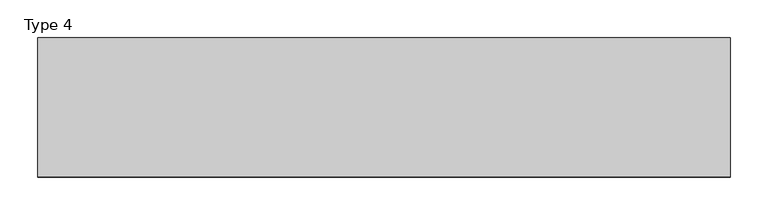
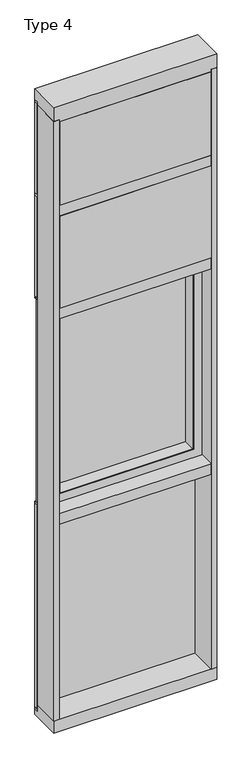
"""IFC4 building model written with IfcOpenShell, lengths in millimetres: plate geometry, Type 4."""

from ifc_helpers import new_model, si_unit, frame, origin, place, context, project, spatial, polyline, outline, extrude, faceted_brep, source, transform, mapped, element, save


def type_4_9e8764e1(model_context):
    return source(origin(), model_context, "Body", "SolidModel", [
        faceted_brep([(-409.575, -66.0939347, 2390.775), (-409.575, -12.4174268, 2390.775), (409.575, -12.4174268, 2390.775), (409.575, -66.0939347, 2390.775), (-407.6336465, -12.4174268, 2388.8336465), (-407.6336465, -7.9279804, 2388.8336465), (407.6336465, -7.9279804, 2388.8336465), (407.6336465, -12.4174268, 2388.8336465), (373.85625, -63.4904804, 2355.05625), (373.85625, -68.2529804, 2355.05625), (373.85625, -68.2529804, 1302.54375), (373.85625, -63.4904804, 1302.54375), (-425.45, 26.9875, 2406.65), (-425.45, -68.2529804, 2406.65), (425.45, -68.2529804, 2406.65), (425.45, 26.9875, 2406.65), (-377.03125, -68.2529804, 2358.23125), (-377.03125, -66.0939347, 2358.23125), (377.03125, -66.0939347, 2358.23125), (377.03125, -68.2529804, 2358.23125), (-373.85625, -68.2529804, 1302.54375), (-373.85625, -68.2529804, 2355.05625), (-371.475, -68.2529804, 2352.675), (371.475, -68.2529804, 2352.675), (371.475, -68.2529804, 1304.925), (-371.475, -68.2529804, 1304.925), (400.06905, 1.5875, 1276.33095), (400.06905, 26.9875, 1276.33095), (-400.06905, 26.9875, 1276.33095), (-400.06905, 1.5875, 1276.33095), (409.575, -12.4174268, 1266.825), (409.575, -66.0939347, 1266.825), (-407.6336465, -12.4174268, 1268.7663535), (-407.6336465, -7.9279804, 1268.7663535), (-377.03125, -68.2529804, 1299.36875), (-377.03125, -66.0939347, 1299.36875), (-400.06905, 26.9875, 2381.26905), (-400.06905, 1.5875, 2381.26905), (-371.475, 1.5875, 1304.925), (-371.475, 1.5875, 2352.675), (-373.85625, -63.4904804, 1302.54375), (-373.85625, -63.4904804, 2355.05625), (-425.45, 26.9875, 1250.95), (-425.45, -68.2529804, 1250.95), (-392.1125, -7.9279804, 1284.2875), (-392.1125, -63.4904804, 1284.2875), (-392.1125, -63.4904804, 2373.3125), (-392.1125, -7.9279804, 2373.3125), (-409.575, -66.0939347, 1266.825), (-409.575, -12.4174268, 1266.825), (400.06905, 26.9875, 2381.26905), (400.06905, 1.5875, 2381.26905), (371.475, 1.5875, 2352.675), (392.1125, -63.4904804, 2373.3125), (392.1125, -7.9279804, 2373.3125), (371.475, 1.5875, 1304.925), (392.1125, -63.4904804, 1284.2875), (392.1125, -7.9279804, 1284.2875), (407.6336465, -7.9279804, 1268.7663535), (407.6336465, -12.4174268, 1268.7663535), (377.03125, -66.0939347, 1299.36875), (377.03125, -68.2529804, 1299.36875), (425.45, -68.2529804, 1250.95), (425.45, 26.9875, 1250.95)], [[[0, 1, 2, 3]], [[4, 5, 6, 7]], [[8, 9, 10, 11]], [[12, 13, 14, 15]], [[16, 17, 18, 19]], [[20, 10, 9, 21], [22, 23, 24, 25]], [[26, 27, 28, 29]], [[3, 2, 30, 31]], [[32, 33, 5, 4]], [[34, 35, 17, 16]], [[29, 28, 36, 37]], [[25, 38, 39, 22]], [[40, 20, 21, 41]], [[42, 43, 13, 12]], [[44, 45, 46, 47]], [[48, 49, 1, 0]], [[37, 36, 50, 51]], [[22, 39, 52, 23]], [[41, 21, 9, 8]], [[47, 46, 53, 54]], [[51, 50, 27, 26]], [[23, 52, 55, 24]], [[54, 53, 56, 57]], [[7, 6, 58, 59]], [[19, 18, 60, 61]], [[15, 14, 62, 63]], [[12, 15, 63, 42], [28, 27, 50, 36]], [[37, 51, 26, 29], [38, 55, 52, 39]], [[24, 55, 38, 25]], [[11, 10, 20, 40]], [[45, 56, 53, 46], [41, 8, 11, 40]], [[57, 56, 45, 44]], [[33, 58, 6, 5], [47, 54, 57, 44]], [[59, 58, 33, 32]], [[49, 30, 2, 1], [4, 7, 59, 32]], [[31, 30, 49, 48]], [[0, 3, 31, 48], [35, 60, 18, 17]], [[61, 60, 35, 34]], [[43, 62, 14, 13], [16, 19, 61, 34]], [[63, 62, 43, 42]]]),
        extrude(outline(polyline([(400.06905, 26.9875), (400.06905, 1.5875), (-400.06905, 1.5875), (-400.06905, 26.9875), (400.06905, 26.9875)])), frame((0.0, 0.0, 1276.33095), z_axis=(0.0, 0.0, 1.0), x_axis=(1.0, 0.0, 0.0)), (0.0, 0.0, 1.0), 1104.9381),
        extrude(outline(polyline([(425.4510892, -48.6409999), (425.4510892, -156.32684), (-425.45, -156.32684), (-425.45, -48.6409999), (425.4510892, -48.6409999)])), frame((0.0, 0.0, 2470.15), z_axis=(0.0, 0.0, 1.0), x_axis=(1.0, 0.0, 0.0)), (0.0, 0.0, 1.0), 546.1993556),
        extrude(outline(polyline([(457.2, 27.686), (457.2, 6.35), (-457.2, 6.35), (-457.2, 27.686), (457.2, 27.686)])), frame((0.0, 0.0, 3041.65), z_axis=(0.0, 0.0, 1.0), x_axis=(1.0, 0.0, 0.0)), (0.0, 0.0, 1.0), 12.7),
        extrude(outline(polyline([(457.2, 27.6881517), (457.2, 11.2982336), (444.5010892, 11.2982336), (444.5010892, 27.6881517), (457.2, 27.6881517)])), frame((0.0, 0.0, 2444.75), z_axis=(0.0, 0.0, 1.0), x_axis=(1.0, 0.0, 0.0)), (0.0, 0.0, 1.0), 596.9),
        extrude(outline(polyline([(-444.5010892, 27.6881517), (-444.5010892, 11.2982336), (-457.2, 11.2982336), (-457.2, 27.6881517), (-444.5010892, 27.6881517)])), frame((0.0, 0.0, 2444.75), z_axis=(0.0, 0.0, 1.0), x_axis=(1.0, 0.0, 0.0)), (0.0, 0.0, 1.0), 596.9),
        extrude(outline(polyline([(444.5010892, 27.686), (444.5010892, 2.286), (-444.5010892, 2.286), (-444.5010892, 27.686), (444.5010892, 27.686)])), frame((0.0, 0.0, 2444.75), z_axis=(0.0, 0.0, 1.0), x_axis=(1.0, 0.0, 0.0)), (0.0, 0.0, 1.0), 596.9),
        extrude(outline(polyline([(-457.2, -155.9814), (-457.2, 2.286), (-425.45, 2.286), (-425.45, -155.9814), (-457.2, -155.9814)])), frame((0.0, 0.0, 31.75), z_axis=(0.0, 0.0, 1.0), x_axis=(1.0, 0.0, 0.0)), (0.0, 0.0, 1.0), 3556.0),
        extrude(outline(polyline([(457.2, -155.9814), (425.45, -155.9814), (425.45, 2.286), (457.2, 2.286), (457.2, -155.9814)])), frame((0.0, 0.0, 31.75), z_axis=(0.0, 0.0, 1.0), x_axis=(1.0, 0.0, 0.0)), (0.0, 0.0, 1.0), 3556.0),
        extrude(outline(polyline([(425.4510892, -48.6409999), (425.4510892, -156.32684), (-425.45, -156.32684), (-425.45, -48.6409999), (425.4510892, -48.6409999)])), frame((0.0, 0.0, 3079.75), z_axis=(0.0, 0.0, 1.0), x_axis=(1.0, 0.0, 0.0)), (0.0, 0.0, 1.0), 495.3984372),
        extrude(outline(polyline([(457.2, 27.686), (457.2, 6.35), (-457.2, 6.35), (-457.2, 27.686), (457.2, 27.686)])), frame((0.0, 0.0, 3594.1), z_axis=(0.0, 0.0, 1.0), x_axis=(1.0, 0.0, 0.0)), (0.0, 0.0, 1.0), 12.7),
        extrude(outline(polyline([(457.2, 27.6881517), (457.2, 11.2982336), (444.5010892, 11.2982336), (444.5010892, 27.6881517), (457.2, 27.6881517)])), frame((0.0, 0.0, 3054.35), z_axis=(0.0, 0.0, 1.0), x_axis=(1.0, 0.0, 0.0)), (0.0, 0.0, 1.0), 539.75),
        extrude(outline(polyline([(-444.5010892, 27.6881517), (-444.5010892, 11.2982336), (-457.2, 11.2982336), (-457.2, 27.6881517), (-444.5010892, 27.6881517)])), frame((0.0, 0.0, 3054.35), z_axis=(0.0, 0.0, 1.0), x_axis=(1.0, 0.0, 0.0)), (0.0, 0.0, 1.0), 539.75),
        extrude(outline(polyline([(444.5010892, 27.686), (444.5010892, 2.286), (-444.5010892, 2.286), (-444.5010892, 27.686), (444.5010892, 27.686)])), frame((0.0, 0.0, 3054.35), z_axis=(0.0, 0.0, 1.0), x_axis=(1.0, 0.0, 0.0)), (0.0, 0.0, 1.0), 539.75),
        extrude(outline(polyline([(457.2, 27.6881517), (457.2, 11.2982336), (444.5010892, 11.2982336), (444.5010892, 27.6881517), (457.2, 27.6881517)])), frame((0.0, 0.0, 6.35), z_axis=(0.0, 0.0, 1.0), x_axis=(1.0, 0.0, 0.0)), (0.0, 0.0, 1.0), 1206.5),
        extrude(outline(polyline([(-444.5010892, 27.6881517), (-444.5010892, 11.2982336), (-457.2, 11.2982336), (-457.2, 27.6881517), (-444.5010892, 27.6881517)])), frame((0.0, 0.0, 6.35), z_axis=(0.0, 0.0, 1.0), x_axis=(1.0, 0.0, 0.0)), (0.0, 0.0, 1.0), 1206.5),
        extrude(outline(polyline([(444.5010892, 27.686), (444.5010892, 2.286), (-444.5010892, 2.286), (-444.5010892, 27.686), (444.5010892, 27.686)])), frame((0.0, 0.0, 6.35), z_axis=(0.0, 0.0, 1.0), x_axis=(1.0, 0.0, 0.0)), (0.0, 0.0, 1.0), 1206.5),
        extrude(outline(polyline([(457.2, 27.686), (457.2, 6.35), (-457.2, 6.35), (-457.2, 27.686), (457.2, 27.686)])), frame((0.0, 0.0, 1212.85), z_axis=(0.0, 0.0, 1.0), x_axis=(1.0, 0.0, 0.0)), (0.0, 0.0, 1.0), 12.7),
        extrude(outline(polyline([(457.2, 27.686), (457.2, 11.2982336), (-457.2, 11.2982336), (-457.2, 27.686), (457.2, 27.686)])), frame((0.0, 0.0, 2432.05), z_axis=(0.0, 0.0, 1.0), x_axis=(1.0, 0.0, 0.0)), (0.0, 0.0, 1.0), 6.35),
        extrude(outline(polyline([(2432.05, 450.85), (2432.05, -450.85), (1225.55, -450.85), (1225.55, 450.85), (2432.05, 450.85)]), holes=[polyline([(1250.95, 425.45), (1250.95, -425.45), (2406.65, -425.45), (2406.65, 425.45), (1250.95, 425.45)])]), frame((0.0, 2.286, 0.0), z_axis=(0.0, 1.0, 0.0), x_axis=(0.0, 0.0, 1.0)), (0.0, 0.0, 1.0), 25.3960312),
        extrude(outline(polyline([(-425.45, -155.4734), (-425.45, 2.286), (425.45, 2.286), (425.45, -155.4734), (-425.45, -155.4734)])), frame((0.0, 0.0, 1187.45), z_axis=(0.0, 0.0, 1.0), x_axis=(1.0, 0.0, 0.0)), (0.0, 0.0, 1.0), 63.5),
        extrude(outline(polyline([(-425.45, -155.4734), (-425.45, 2.286), (425.45, 2.286), (425.45, -155.4734), (-425.45, -155.4734)])), frame((0.0, 0.0, 2406.65), z_axis=(0.0, 0.0, 1.0), x_axis=(1.0, 0.0, 0.0)), (0.0, 0.0, 1.0), 63.5),
        extrude(outline(polyline([(-457.2, 5.0946564), (-457.2, 27.6881517), (457.2, 27.6881517), (457.2, 5.0946564), (-457.2, 5.0946564)])), frame((0.0, 0.0, -6.2984797), z_axis=(0.0, 0.0, 1.0), x_axis=(1.0, 0.0, 0.0)), (0.0, 0.0, 1.0), 12.6484797),
        extrude(outline(polyline([(27.686, 3670.3), (27.686, 3606.8000642), (2.286, 3606.8000642), (2.286, 3575.0500939), (-155.4734, 3575.0500939), (-155.4734, 3670.3), (27.686, 3670.3)])), frame((-457.2, 0.0, 0.0), z_axis=(1.0, 0.0, 0.0), x_axis=(0.0, 1.0, 0.0)), (0.0, 0.0, 1.0), 914.4),
        extrude(outline(polyline([(-425.45, -155.4734), (-425.45, 2.2859999), (425.45, 2.2859999), (425.45, -155.4734), (-425.45, -155.4734)])), frame((0.0, 0.0, 3016.25), z_axis=(0.0, 0.0, 1.0), x_axis=(1.0, 0.0, 0.0)), (0.0, 0.0, 1.0), 63.5),
        extrude(outline(polyline([(2.2859999, 31.75), (2.2859999, -6.2983857), (27.6858239, -6.2983857), (27.6858239, -38.1), (-155.6004, -38.1), (-155.6004, 31.75), (2.2859999, 31.75)])), frame((-457.2, 0.0, 0.0), z_axis=(1.0, 0.0, 0.0), x_axis=(0.0, 1.0, 0.0)), (0.0, 0.0, 1.0), 914.4),
    ])


if __name__ == "__main__":
    model = new_model("IFC4")
    model_context = context("Model", 3, world=origin())
    ifc_project = project(units=[si_unit("LENGTHUNIT", "METRE", prefix="MILLI")], contexts=[model_context])
    site = spatial("IfcSite", under=ifc_project)
    building = spatial("IfcBuilding", under=site)
    placement = place(None, origin())
    type_4_shape = type_4_9e8764e1(model_context)
    element("IfcPlate", 1, ObjectType="Type 4", at=placement, inside=building, context=model_context, shape_type="MappedRepresentation", body=[
        mapped(type_4_shape, transform((0.0, 0.0, 0.0), x_axis=(1.0, 0.0, 0.0), y_axis=(0.0, 1.0, 0.0), z_axis=(0.0, 0.0, 1.0))),
    ])
    save(model, "model.ifc")
